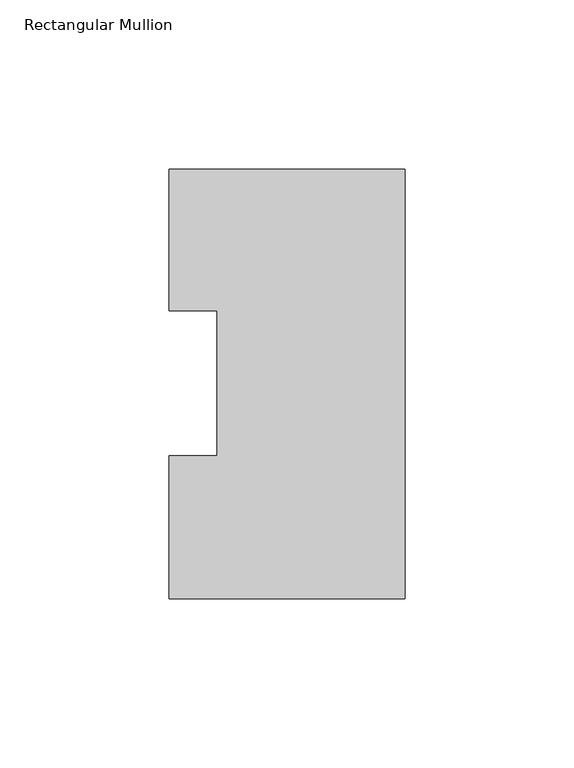
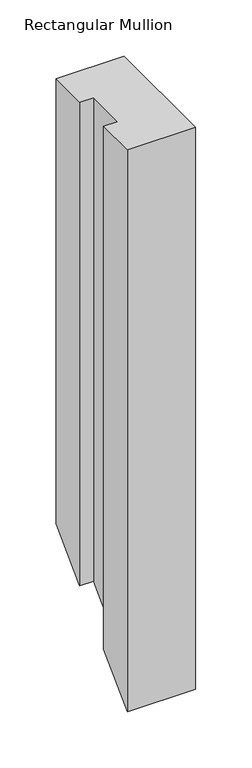
"""IFC4 building model written with IfcOpenShell, lengths in millimetres: member geometry, Rectangular Mullion."""

from ifc_helpers import new_model, si_unit, origin, place, context, project, spatial, faceted_brep, source, transform, mapped, element, save


def rectangular_mullion_3f40e653(model_context):
    return source(origin(), model_context, "Body", "Brep", [
        faceted_brep([(-69.8489149, 126.9888875, 0.0), (-69.8489149, 85.1296875, 0.0), (-55.5639549, 85.1296875, 0.0), (-55.5639549, 42.2798875, 0.0), (-69.8489149, 42.2798875, 0.0), (-69.8489149, -0.0111125, 0.0), (0.0, -0.0111125, 0.0), (0.0, 126.9888875, 0.0), (-69.8489149, 126.9888875, -482.6111125), (-69.8489149, 85.1296875, -524.4703125), (-55.5639549, 85.1296875, -524.4703125), (-55.5639549, 42.2798875, -567.3201125), (-69.8489149, 42.2798875, -567.3201125), (-69.8489149, -0.0111125, -609.6111125), (0.0, -0.0111125, -609.6111125), (0.0, 126.9888875, -482.6111125)], [[[0, 1, 2, 3, 4, 5, 6, 7]], [[1, 0, 8, 9]], [[2, 1, 9, 10]], [[3, 2, 10, 11]], [[4, 3, 11, 12]], [[5, 4, 12, 13]], [[6, 5, 13, 14]], [[7, 6, 14, 15]], [[0, 7, 15, 8]], [[8, 15, 14, 13, 12, 11, 10, 9]]]),
    ])


if __name__ == "__main__":
    model = new_model("IFC4")
    model_context = context("Model", 3, world=origin())
    ifc_project = project(units=[si_unit("LENGTHUNIT", "METRE", prefix="MILLI")], contexts=[model_context])
    site = spatial("IfcSite", under=ifc_project)
    building = spatial("IfcBuilding", under=site)
    placement = place(None, origin())
    rectangular_mullion_shape = rectangular_mullion_3f40e653(model_context)
    element("IfcMember", 1, ObjectType="Rectangular Mullion", at=placement, inside=building, context=model_context, shape_type="MappedRepresentation", body=[
        mapped(rectangular_mullion_shape, transform((0.0, 0.0, 0.0), x_axis=(1.0, 0.0, 0.0), y_axis=(0.0, 1.0, 0.0), z_axis=(0.0, 0.0, 1.0))),
    ])
    save(model, "model.ifc")
